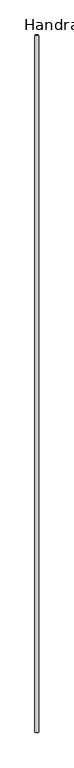
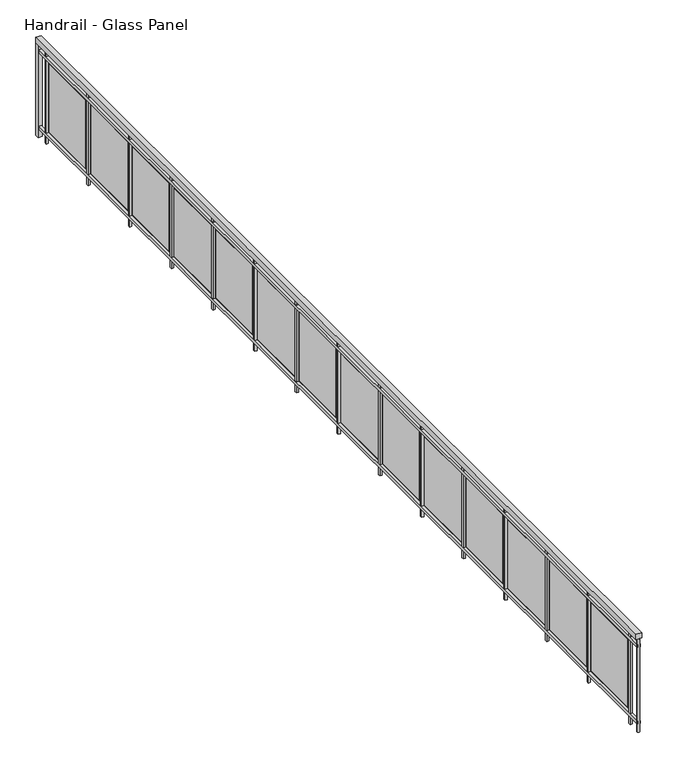
"""IFC4 building model written with IfcOpenShell, lengths in millimetres: railing geometry, Handrail - Glass Panel."""

from ifc_helpers import new_model, si_unit, point, frame, frame_2d, origin, origin_with_axes, place, context, project, spatial, polyline, circle_curve, trimmed, segment, composite_curve, outline, extrude, source, transform, mapped, element, save


def handrail_glass_panel_000a3b23(model_context):
    return source(origin(), model_context, "Body", "SweptSolid", [
        extrude(outline(polyline([(-10686.0478678, -5345.4143828), (-10635.2478678, -5345.4143828), (-10635.2478678, -14489.4143828), (-10686.0478678, -14489.4143828), (-10686.0478678, -5345.4143828)])), frame((0.0, 0.0, 863.6), z_axis=(0.0, 0.0, 1.0), x_axis=(1.0, 0.0, 0.0)), (0.0, 0.0, 1.0), 50.8),
        extrude(outline(polyline([(-10673.3478678, -5345.4143828), (-10647.9478678, -5345.4143828), (-10647.9478678, -14489.4143828), (-10673.3478678, -14489.4143828), (-10673.3478678, -5345.4143828)])), frame((0.0, 0.0, 787.4), z_axis=(0.0, 0.0, 1.0), x_axis=(1.0, 0.0, 0.0)), (0.0, 0.0, 1.0), 25.4),
        extrude(outline(polyline([(-10673.3478678, -5345.4143828), (-10647.9478678, -5345.4143828), (-10647.9478678, -14489.4143828), (-10673.3478678, -14489.4143828), (-10673.3478678, -5345.4143828)])), frame((0.0, 0.0, 76.2), z_axis=(0.0, 0.0, 1.0), x_axis=(1.0, 0.0, 0.0)), (0.0, 0.0, 1.0), 25.4),
        extrude(outline(polyline([(-10670.1728678, -14352.8893828), (-10651.1228678, -14352.8893828), (-10651.1228678, -14371.9393828), (-10670.1728678, -14371.9393828), (-10670.1728678, -14352.8893828)])), origin_with_axes(), (0.0, 0.0, 1.0), 863.6),
        extrude(outline(polyline([(-10654.2978678, -13765.5143828), (-10654.2978678, -14324.3143828), (-10660.6478678, -14324.3143828), (-10660.6478678, -13765.5143828), (-10654.2978678, -13765.5143828)])), frame((0.0, 0.0, 127.0), z_axis=(0.0, 0.0, 1.0), x_axis=(1.0, 0.0, 0.0)), (0.0, 0.0, 1.0), 635.0),
        extrude(outline(polyline([(-10670.1728678, -13717.8893828), (-10651.1228678, -13717.8893828), (-10651.1228678, -13736.9393828), (-10670.1728678, -13736.9393828), (-10670.1728678, -13717.8893828)])), origin_with_axes(), (0.0, 0.0, 1.0), 863.6),
        extrude(outline(polyline([(-10654.2978678, -13130.5143828), (-10654.2978678, -13689.3143828), (-10660.6478678, -13689.3143828), (-10660.6478678, -13130.5143828), (-10654.2978678, -13130.5143828)])), frame((0.0, 0.0, 127.0), z_axis=(0.0, 0.0, 1.0), x_axis=(1.0, 0.0, 0.0)), (0.0, 0.0, 1.0), 635.0),
        extrude(outline(polyline([(-10670.1728678, -13082.8893828), (-10651.1228678, -13082.8893828), (-10651.1228678, -13101.9393828), (-10670.1728678, -13101.9393828), (-10670.1728678, -13082.8893828)])), origin_with_axes(), (0.0, 0.0, 1.0), 863.6),
        extrude(outline(polyline([(-10654.2978678, -12495.5143828), (-10654.2978678, -13054.3143828), (-10660.6478678, -13054.3143828), (-10660.6478678, -12495.5143828), (-10654.2978678, -12495.5143828)])), frame((0.0, 0.0, 127.0), z_axis=(0.0, 0.0, 1.0), x_axis=(1.0, 0.0, 0.0)), (0.0, 0.0, 1.0), 635.0),
        extrude(outline(polyline([(-10670.1728678, -12447.8893828), (-10651.1228678, -12447.8893828), (-10651.1228678, -12466.9393828), (-10670.1728678, -12466.9393828), (-10670.1728678, -12447.8893828)])), origin_with_axes(), (0.0, 0.0, 1.0), 863.6),
        extrude(outline(polyline([(-10654.2978678, -11860.5143828), (-10654.2978678, -12419.3143828), (-10660.6478678, -12419.3143828), (-10660.6478678, -11860.5143828), (-10654.2978678, -11860.5143828)])), frame((0.0, 0.0, 127.0), z_axis=(0.0, 0.0, 1.0), x_axis=(1.0, 0.0, 0.0)), (0.0, 0.0, 1.0), 635.0),
        extrude(outline(polyline([(-10670.1728678, -11812.8893828), (-10651.1228678, -11812.8893828), (-10651.1228678, -11831.9393828), (-10670.1728678, -11831.9393828), (-10670.1728678, -11812.8893828)])), origin_with_axes(), (0.0, 0.0, 1.0), 863.6),
        extrude(outline(polyline([(-10654.2978678, -11225.5143828), (-10654.2978678, -11784.3143828), (-10660.6478678, -11784.3143828), (-10660.6478678, -11225.5143828), (-10654.2978678, -11225.5143828)])), frame((0.0, 0.0, 127.0), z_axis=(0.0, 0.0, 1.0), x_axis=(1.0, 0.0, 0.0)), (0.0, 0.0, 1.0), 635.0),
        extrude(outline(polyline([(-10670.1728678, -11177.8893828), (-10651.1228678, -11177.8893828), (-10651.1228678, -11196.9393828), (-10670.1728678, -11196.9393828), (-10670.1728678, -11177.8893828)])), origin_with_axes(), (0.0, 0.0, 1.0), 863.6),
        extrude(outline(polyline([(-10654.2978678, -10590.5143828), (-10654.2978678, -11149.3143828), (-10660.6478678, -11149.3143828), (-10660.6478678, -10590.5143828), (-10654.2978678, -10590.5143828)])), frame((0.0, 0.0, 127.0), z_axis=(0.0, 0.0, 1.0), x_axis=(1.0, 0.0, 0.0)), (0.0, 0.0, 1.0), 635.0),
        extrude(outline(polyline([(-10670.1728678, -10542.8893828), (-10651.1228678, -10542.8893828), (-10651.1228678, -10561.9393828), (-10670.1728678, -10561.9393828), (-10670.1728678, -10542.8893828)])), origin_with_axes(), (0.0, 0.0, 1.0), 863.6),
        extrude(outline(polyline([(-10654.2978678, -9955.5143828), (-10654.2978678, -10514.3143828), (-10660.6478678, -10514.3143828), (-10660.6478678, -9955.5143828), (-10654.2978678, -9955.5143828)])), frame((0.0, 0.0, 127.0), z_axis=(0.0, 0.0, 1.0), x_axis=(1.0, 0.0, 0.0)), (0.0, 0.0, 1.0), 635.0),
        extrude(outline(polyline([(-10670.1728678, -9907.8893828), (-10651.1228678, -9907.8893828), (-10651.1228678, -9926.9393828), (-10670.1728678, -9926.9393828), (-10670.1728678, -9907.8893828)])), origin_with_axes(), (0.0, 0.0, 1.0), 863.6),
        extrude(outline(polyline([(-10654.2978678, -9320.5143828), (-10654.2978678, -9879.3143828), (-10660.6478678, -9879.3143828), (-10660.6478678, -9320.5143828), (-10654.2978678, -9320.5143828)])), frame((0.0, 0.0, 127.0), z_axis=(0.0, 0.0, 1.0), x_axis=(1.0, 0.0, 0.0)), (0.0, 0.0, 1.0), 635.0),
        extrude(outline(polyline([(-10670.1728678, -9272.8893828), (-10651.1228678, -9272.8893828), (-10651.1228678, -9291.9393828), (-10670.1728678, -9291.9393828), (-10670.1728678, -9272.8893828)])), origin_with_axes(), (0.0, 0.0, 1.0), 863.6),
        extrude(outline(polyline([(-10654.2978678, -8685.5143828), (-10654.2978678, -9244.3143828), (-10660.6478678, -9244.3143828), (-10660.6478678, -8685.5143828), (-10654.2978678, -8685.5143828)])), frame((0.0, 0.0, 127.0), z_axis=(0.0, 0.0, 1.0), x_axis=(1.0, 0.0, 0.0)), (0.0, 0.0, 1.0), 635.0),
        extrude(outline(polyline([(-10670.1728678, -8637.8893828), (-10651.1228678, -8637.8893828), (-10651.1228678, -8656.9393828), (-10670.1728678, -8656.9393828), (-10670.1728678, -8637.8893828)])), origin_with_axes(), (0.0, 0.0, 1.0), 863.6),
        extrude(outline(polyline([(-10654.2978678, -8050.5143828), (-10654.2978678, -8609.3143828), (-10660.6478678, -8609.3143828), (-10660.6478678, -8050.5143828), (-10654.2978678, -8050.5143828)])), frame((0.0, 0.0, 127.0), z_axis=(0.0, 0.0, 1.0), x_axis=(1.0, 0.0, 0.0)), (0.0, 0.0, 1.0), 635.0),
        extrude(outline(polyline([(-10670.1728678, -8002.8893828), (-10651.1228678, -8002.8893828), (-10651.1228678, -8021.9393828), (-10670.1728678, -8021.9393828), (-10670.1728678, -8002.8893828)])), origin_with_axes(), (0.0, 0.0, 1.0), 863.6),
        extrude(outline(polyline([(-10654.2978678, -7415.5143828), (-10654.2978678, -7974.3143828), (-10660.6478678, -7974.3143828), (-10660.6478678, -7415.5143828), (-10654.2978678, -7415.5143828)])), frame((0.0, 0.0, 127.0), z_axis=(0.0, 0.0, 1.0), x_axis=(1.0, 0.0, 0.0)), (0.0, 0.0, 1.0), 635.0),
        extrude(outline(polyline([(-10670.1728678, -7367.8893828), (-10651.1228678, -7367.8893828), (-10651.1228678, -7386.9393828), (-10670.1728678, -7386.9393828), (-10670.1728678, -7367.8893828)])), origin_with_axes(), (0.0, 0.0, 1.0), 863.6),
        extrude(outline(polyline([(-10654.2978678, -6780.5143828), (-10654.2978678, -7339.3143828), (-10660.6478678, -7339.3143828), (-10660.6478678, -6780.5143828), (-10654.2978678, -6780.5143828)])), frame((0.0, 0.0, 127.0), z_axis=(0.0, 0.0, 1.0), x_axis=(1.0, 0.0, 0.0)), (0.0, 0.0, 1.0), 635.0),
        extrude(outline(polyline([(-10670.1728678, -6732.8893828), (-10651.1228678, -6732.8893828), (-10651.1228678, -6751.9393828), (-10670.1728678, -6751.9393828), (-10670.1728678, -6732.8893828)])), origin_with_axes(), (0.0, 0.0, 1.0), 863.6),
        extrude(outline(polyline([(-10654.2978678, -6145.5143828), (-10654.2978678, -6704.3143828), (-10660.6478678, -6704.3143828), (-10660.6478678, -6145.5143828), (-10654.2978678, -6145.5143828)])), frame((0.0, 0.0, 127.0), z_axis=(0.0, 0.0, 1.0), x_axis=(1.0, 0.0, 0.0)), (0.0, 0.0, 1.0), 635.0),
        extrude(outline(polyline([(-10670.1728678, -6097.8893828), (-10651.1228678, -6097.8893828), (-10651.1228678, -6116.9393828), (-10670.1728678, -6116.9393828), (-10670.1728678, -6097.8893828)])), origin_with_axes(), (0.0, 0.0, 1.0), 863.6),
        extrude(outline(polyline([(-10654.2978678, -5510.5143828), (-10654.2978678, -6069.3143828), (-10660.6478678, -6069.3143828), (-10660.6478678, -5510.5143828), (-10654.2978678, -5510.5143828)])), frame((0.0, 0.0, 127.0), z_axis=(0.0, 0.0, 1.0), x_axis=(1.0, 0.0, 0.0)), (0.0, 0.0, 1.0), 635.0),
        extrude(outline(polyline([(-10670.1728678, -5462.8893828), (-10651.1228678, -5462.8893828), (-10651.1228678, -5481.9393828), (-10670.1728678, -5481.9393828), (-10670.1728678, -5462.8893828)])), origin_with_axes(), (0.0, 0.0, 1.0), 863.6),
        extrude(outline(composite_curve([segment(trimmed(circle_curve(frame_2d((-10660.6478678, -14479.8893828)), 12.7), [point((-10647.9478678, -14479.8893828))], [point((-10673.3478678, -14479.8893828))], False, "CARTESIAN"), True, "CONTINUOUS"), segment(trimmed(circle_curve(frame_2d((-10660.6478678, -14479.8893828)), 12.7), [point((-10673.3478678, -14479.8893828))], [point((-10647.9478678, -14479.8893828))], False, "CARTESIAN"), True, "CONTINUOUS")], self_intersect=False)), origin_with_axes(), (0.0, 0.0, 1.0), 863.6),
        extrude(outline(polyline([(-10679.6978678, -5335.8893828), (-10641.5978678, -5335.8893828), (-10641.5978678, -5373.9893828), (-10679.6978678, -5373.9893828), (-10679.6978678, -5335.8893828)])), origin_with_axes(), (0.0, 0.0, 1.0), 863.6),
    ])


if __name__ == "__main__":
    model = new_model("IFC4")
    model_context = context("Model", 3, world=origin())
    ifc_project = project(units=[si_unit("LENGTHUNIT", "METRE", prefix="MILLI")], contexts=[model_context])
    site = spatial("IfcSite", under=ifc_project)
    building = spatial("IfcBuilding", under=site)
    placement = place(None, origin())
    handrail_glass_panel_shape = handrail_glass_panel_000a3b23(model_context)
    element("IfcRailing", 1, ObjectType="Handrail - Glass Panel", at=placement, inside=building, context=model_context, shape_type="MappedRepresentation", body=[
        mapped(handrail_glass_panel_shape, transform((0.0, 0.0, 0.0), x_axis=(1.0, 0.0, 0.0), y_axis=(0.0, 1.0, 0.0), z_axis=(0.0, 0.0, 1.0))),
    ])
    save(model, "model.ifc")
